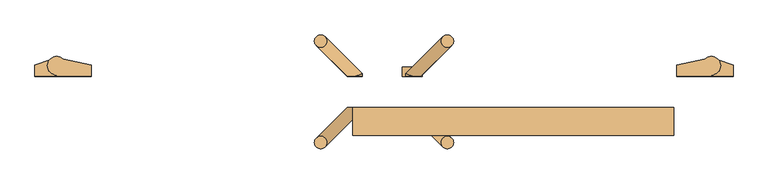
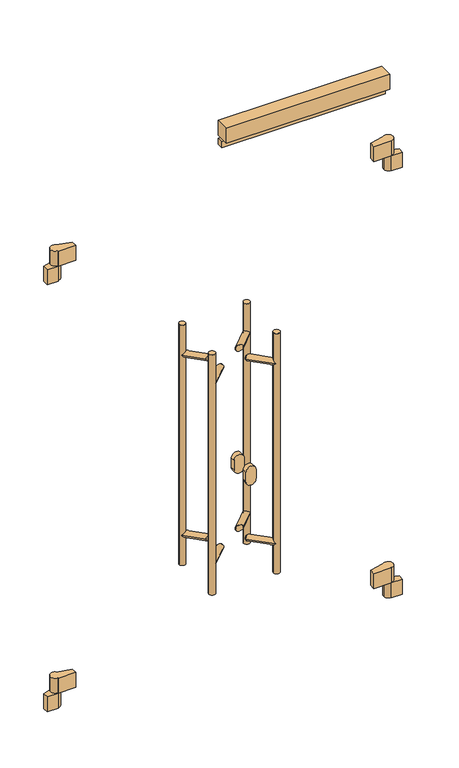
"""IFC4 building model written with IfcOpenShell, lengths in millimetres: door geometry."""

from ifc_helpers import new_model, si_unit, point, frame, frame_2d, origin, place, context, project, spatial, polyline, circle_curve, ellipse_curve, trimmed, segment, composite_curve, outline, extrude, source, transform, mapped, element, save
from ifc_brep_helpers import plane_surface, cylinder_surface, advanced_brep


def door_fb0e7f3e(model_context):
    return source(origin(), model_context, "Body", "SolidModel", [
        extrude(outline(polyline([(-630.0, -50.0), (-115.0, -50.0), (-115.0, -95.0), (-630.0, -95.0), (-630.0, -50.0)])), frame((0.0, 0.0, 2073.0), z_axis=(0.0, 0.0, 1.0), x_axis=(1.0, 0.0, 0.0)), (0.0, 0.0, 1.0), 50.0),
        extrude(outline(polyline([(-630.0, -50.0), (-115.0, -50.0), (-115.0, -70.0), (-630.0, -70.0), (-630.0, -50.0)])), frame((0.0, 0.0, 2043.0), z_axis=(0.0, 0.0, 1.0), x_axis=(1.0, 0.0, 0.0)), (0.0, 0.0, 1.0), 20.0),
        advanced_brep(
        [(-110.0, 0.0, 400.0), (-55.0, 0.0, 400.0), (-55.0, 2.0, 400.0), (-40.0, 17.0, 400.0), (-65.5040029, 27.7082175, 400.0), (-110.0, 18.0, 400.0), (-70.0, 17.0, 300.0), (-42.8866516, 25.846852, 300.0), (-20.0, 18.0, 300.0), (-20.0, 0.0, 300.0), (-55.0, 0.0, 300.0), (-55.0, 2.0, 300.0), (-55.0, 2.0, 350.0), (-40.0, 17.0, 350.0), (-70.0, 17.0, 350.0), (-55.0, 2.0, 350.0), (-42.8866516, 25.846852, 350.0), (-65.5040029, 27.7082175, 350.0), (-110.0, 0.0, 350.0), (-110.0, 18.0, 350.0), (-55.0, 0.0, 350.0), (-20.0, 0.0, 350.0), (-20.0, 18.0, 350.0)],
        [
            (0, 1),
            (1, 2),
            (2, 3, circle_curve(frame((-55.0, 17.0, 400.0), z_axis=(0.0, 0.0, 1.0), x_axis=(1.0, 0.0, 0.0)), 15.0)),
            (3, 4, circle_curve(frame((-55.0, 17.0, 400.0), z_axis=(0.0, 0.0, 1.0), x_axis=(1.0, 0.0, 0.0)), 15.0)),
            (4, 5),
            (5, 0),
            (6, 7, circle_curve(frame((-55.0, 17.0, 300.0), z_axis=(0.0, 0.0, -1.0), x_axis=(1.0, 0.0, 0.0)), 15.0)),
            (7, 8),
            (8, 9),
            (9, 10),
            (10, 11),
            (11, 6, circle_curve(frame((-55.0, 17.0, 300.0), z_axis=(0.0, 0.0, -1.0), x_axis=(1.0, 0.0, 0.0)), 15.0)),
            (2, 12),
            (12, 13, circle_curve(frame((-55.0, 17.0, 350.0), z_axis=(0.0, 0.0, 1.0), x_axis=(1.0, 0.0, 0.0)), 15.0)),
            (13, 3),
            (14, 6),
            (11, 15),
            (15, 14, circle_curve(frame((-55.0, 17.0, 350.0), z_axis=(0.0, 0.0, -1.0), x_axis=(1.0, 0.0, 0.0)), 15.0)),
            (13, 16, circle_curve(frame((-55.0, 17.0, 350.0), z_axis=(0.0, 0.0, 1.0), x_axis=(1.0, 0.0, 0.0)), 15.0)),
            (16, 7),
            (14, 17, circle_curve(frame((-55.0, 17.0, 350.0), z_axis=(0.0, 0.0, -1.0), x_axis=(1.0, 0.0, 0.0)), 15.0)),
            (17, 4),
            (18, 19),
            (19, 17),
            (15, 20),
            (20, 18),
            (0, 18),
            (20, 1),
            (20, 12),
            (19, 5),
            (20, 21),
            (21, 22),
            (22, 16),
            (10, 20),
            (9, 21),
            (8, 22),
        ],
        [
            plane_surface(frame((-40.0, 17.0, 400.0), z_axis=(0.0, 0.0, 1.0), x_axis=(0.0, 1.0, 0.0))),
            plane_surface(frame((-40.0, 17.0, 300.0), z_axis=(0.0, 0.0, -1.0), x_axis=(0.0, -1.0, 0.0))),
            cylinder_surface(frame((-55.0, 17.0, 300.0), z_axis=(0.0, 0.0, 1.0), x_axis=(1.0, 0.0, 0.0)), 15.0),
            plane_surface(frame((-55.0, 0.0, 350.0), z_axis=(0.0, 0.0, -1.0), x_axis=(-1.0, 0.0, 0.0))),
            plane_surface(frame((-110.0, 0.0, 400.0), z_axis=(0.0, -1.0, 0.0), x_axis=(0.0, 0.0, -1.0))),
            plane_surface(frame((-55.0, 0.0, 400.0), z_axis=(1.0, 0.0, 0.0), x_axis=(0.0, 0.0, -1.0))),
            plane_surface(frame((-55.0, 30.0, 400.0), z_axis=(-0.2131670752167252, 0.9770157614099924, 0.0), x_axis=(0.0, 0.0, -1.0))),
            plane_surface(frame((-110.0, 18.0, 400.0), z_axis=(-1.0, 0.0, 0.0), x_axis=(0.0, 0.0, -1.0))),
            plane_surface(frame((-55.0, 0.0, 350.0), z_axis=(0.0, 0.0, 1.0), x_axis=(0.0, -1.0, 0.0))),
            plane_surface(frame((-55.0, 30.0, 350.0), z_axis=(-1.0, 0.0, 0.0), x_axis=(0.0, 0.0, -1.0))),
            plane_surface(frame((-55.0, 0.0, 350.0), z_axis=(0.0, -1.0, 0.0), x_axis=(0.0, 0.0, -1.0))),
            plane_surface(frame((-20.0, 0.0, 350.0), z_axis=(1.0, 0.0, 0.0), x_axis=(0.0, 0.0, -1.0))),
            plane_surface(frame((-20.0, 18.0, 350.0), z_axis=(0.3243243243243251, 0.9459459459459457, 0.0), x_axis=(0.0, 0.0, -1.0))),
        ],
        [
            (0, [[1, 2, 3, 4, 5, 6]]),
            (1, [[7, 8, 9, 10, 11, 12]]),
            (2, [[-3, 13, 14, 15]]),
            (2, [[16, -12, 17, 18]]),
            (2, [[-4, -15, 19, 20, -7, -16, 21, 22]]),
            (3, [[23, 24, -21, -18, 25, 26]]),
            (4, [[-1, 27, -26, 28]]),
            (5, [[-28, 29, -13, -2]]),
            (6, [[30, -5, -22, -24]]),
            (7, [[-6, -30, -23, -27]]),
            (8, [[31, 32, 33, -19, -14, -29]]),
            (9, [[34, -25, -17, -11]]),
            (10, [[-31, -34, -10, 35]]),
            (11, [[-32, -35, -9, 36]]),
            (12, [[-36, -8, -20, -33]]),
        ],
    ),
        advanced_brep(
        [(-1050.0, 0.0, 400.0), (-1050.0, 18.0, 400.0), (-1094.4959971, 27.7082175, 400.0), (-1120.0, 17.0, 400.0), (-1105.0, 2.0, 400.0), (-1105.0, 0.0, 400.0), (-1117.1133484, 25.846852, 300.0), (-1090.0, 17.0, 300.0), (-1105.0, 2.0, 300.0), (-1105.0, 0.0, 300.0), (-1140.0, 0.0, 300.0), (-1140.0, 18.0, 300.0), (-1120.0, 17.0, 350.0), (-1105.0, 2.0, 350.0), (-1090.0, 17.0, 350.0), (-1105.0, 2.0, 350.0), (-1094.4959971, 27.7082175, 350.0), (-1117.1133484, 25.846852, 350.0), (-1050.0, 0.0, 350.0), (-1105.0, 0.0, 350.0), (-1050.0, 18.0, 350.0), (-1140.0, 18.0, 350.0), (-1140.0, 0.0, 350.0)],
        [
            (0, 1),
            (1, 2),
            (2, 3, circle_curve(frame((-1105.0, 17.0, 400.0), z_axis=(0.0, 0.0, 1.0), x_axis=(1.0, 0.0, 0.0)), 15.0)),
            (3, 4, circle_curve(frame((-1105.0, 17.0, 400.0), z_axis=(0.0, 0.0, 1.0), x_axis=(1.0, 0.0, 0.0)), 15.0)),
            (4, 5),
            (5, 0),
            (6, 7, circle_curve(frame((-1105.0, 17.0, 300.0), z_axis=(0.0, 0.0, -1.0), x_axis=(1.0, 0.0, 0.0)), 15.0)),
            (7, 8, circle_curve(frame((-1105.0, 17.0, 300.0), z_axis=(0.0, 0.0, -1.0), x_axis=(1.0, 0.0, 0.0)), 15.0)),
            (8, 9),
            (9, 10),
            (10, 11),
            (11, 6),
            (3, 12),
            (12, 13, circle_curve(frame((-1105.0, 17.0, 350.0), z_axis=(0.0, 0.0, 1.0), x_axis=(1.0, 0.0, 0.0)), 15.0)),
            (13, 4),
            (7, 14),
            (14, 15, circle_curve(frame((-1105.0, 17.0, 350.0), z_axis=(0.0, 0.0, -1.0), x_axis=(1.0, 0.0, 0.0)), 15.0)),
            (15, 8),
            (2, 16),
            (16, 14, circle_curve(frame((-1105.0, 17.0, 350.0), z_axis=(0.0, 0.0, -1.0), x_axis=(1.0, 0.0, 0.0)), 15.0)),
            (6, 17),
            (17, 12, circle_curve(frame((-1105.0, 17.0, 350.0), z_axis=(0.0, 0.0, 1.0), x_axis=(1.0, 0.0, 0.0)), 15.0)),
            (18, 19),
            (19, 15),
            (16, 20),
            (20, 18),
            (0, 18),
            (20, 1),
            (19, 5),
            (13, 19),
            (21, 22),
            (22, 19),
            (17, 21),
            (11, 21),
            (10, 22),
            (9, 19),
        ],
        [
            plane_surface(frame((-40.0, 17.0, 400.0), z_axis=(0.0, 0.0, 1.0), x_axis=(0.0, 1.0, 0.0))),
            plane_surface(frame((-40.0, 17.0, 300.0), z_axis=(0.0, 0.0, -1.0), x_axis=(0.0, -1.0, 0.0))),
            cylinder_surface(frame((-1105.0, 17.0, 0.0), z_axis=(0.0, 0.0, 1.0), x_axis=(1.0, 0.0, 0.0)), 15.0),
            plane_surface(frame((-55.0, 0.0, 350.0), z_axis=(0.0, 0.0, -1.0), x_axis=(-1.0, 0.0, 0.0))),
            plane_surface(frame((-1050.0, 0.0, 400.0), z_axis=(1.0, 0.0, 0.0), x_axis=(0.0, 0.0, -1.0))),
            plane_surface(frame((-1050.0, 18.0, 400.0), z_axis=(0.2131670752167282, 0.9770157614099917, 0.0), x_axis=(0.0, 0.0, -1.0))),
            plane_surface(frame((-1105.0, 30.0, 400.0), z_axis=(-1.0, 0.0, 0.0), x_axis=(0.0, 0.0, -1.0))),
            plane_surface(frame((-1105.0, 0.0, 400.0), z_axis=(0.0, -1.0, 0.0), x_axis=(0.0, 0.0, -1.0))),
            plane_surface(frame((-55.0, 0.0, 350.0), z_axis=(0.0, 0.0, 1.0), x_axis=(0.0, -1.0, 0.0))),
            plane_surface(frame((-1105.0, 30.0, 350.0), z_axis=(-0.3243243243243222, 0.9459459459459467, 0.0), x_axis=(0.0, 0.0, -1.0))),
            plane_surface(frame((-1140.0, 18.0, 350.0), z_axis=(-1.0, 0.0, 0.0), x_axis=(0.0, 0.0, -1.0))),
            plane_surface(frame((-1140.0, 0.0, 350.0), z_axis=(0.0, -1.0, 0.0), x_axis=(0.0, 0.0, -1.0))),
            plane_surface(frame((-1105.0, 0.0, 350.0), z_axis=(1.0, 0.0, 0.0), x_axis=(0.0, 0.0, -1.0))),
        ],
        [
            (0, [[1, 2, 3, 4, 5, 6]]),
            (1, [[7, 8, 9, 10, 11, 12]]),
            (2, [[-4, 13, 14, 15]]),
            (2, [[16, 17, 18, -8]]),
            (2, [[-3, 19, 20, -16, -7, 21, 22, -13]]),
            (3, [[23, 24, -17, -20, 25, 26]]),
            (4, [[-1, 27, -26, 28]]),
            (5, [[-28, -25, -19, -2]]),
            (6, [[29, -5, -15, 30]]),
            (7, [[-6, -29, -23, -27]]),
            (8, [[31, 32, -30, -14, -22, 33]]),
            (9, [[34, -33, -21, -12]]),
            (10, [[-31, -34, -11, 35]]),
            (11, [[-32, -35, -10, 36]]),
            (12, [[-36, -9, -18, -24]]),
        ],
    ),
        advanced_brep(
        [(-110.0, 0.0, 1823.0), (-55.0, 0.0, 1823.0), (-55.0, 2.0, 1823.0), (-40.0, 17.0, 1823.0), (-65.5040029, 27.7082175, 1823.0), (-110.0, 18.0, 1823.0), (-70.0, 17.0, 1723.0), (-42.8866516, 25.846852, 1723.0), (-20.0, 18.0, 1723.0), (-20.0, 0.0, 1723.0), (-55.0, 0.0, 1723.0), (-55.0, 2.0, 1723.0), (-55.0, 2.0, 1773.0), (-40.0, 17.0, 1773.0), (-70.0, 17.0, 1773.0), (-55.0, 2.0, 1773.0), (-42.8866516, 25.846852, 1773.0), (-65.5040029, 27.7082175, 1773.0), (-110.0, 0.0, 1773.0), (-110.0, 18.0, 1773.0), (-55.0, 0.0, 1773.0), (-20.0, 0.0, 1773.0), (-20.0, 18.0, 1773.0)],
        [
            (0, 1),
            (1, 2),
            (2, 3, circle_curve(frame((-55.0, 17.0, 1823.0), z_axis=(0.0, 0.0, 1.0), x_axis=(1.0, 0.0, 0.0)), 15.0)),
            (3, 4, circle_curve(frame((-55.0, 17.0, 1823.0), z_axis=(0.0, 0.0, 1.0), x_axis=(1.0, 0.0, 0.0)), 15.0)),
            (4, 5),
            (5, 0),
            (6, 7, circle_curve(frame((-55.0, 17.0, 1723.0), z_axis=(0.0, 0.0, -1.0), x_axis=(1.0, 0.0, 0.0)), 15.0)),
            (7, 8),
            (8, 9),
            (9, 10),
            (10, 11),
            (11, 6, circle_curve(frame((-55.0, 17.0, 1723.0), z_axis=(0.0, 0.0, -1.0), x_axis=(1.0, 0.0, 0.0)), 15.0)),
            (2, 12),
            (12, 13, circle_curve(frame((-55.0, 17.0, 1773.0), z_axis=(0.0, 0.0, 1.0), x_axis=(1.0, 0.0, 0.0)), 15.0)),
            (13, 3),
            (14, 6),
            (11, 15),
            (15, 14, circle_curve(frame((-55.0, 17.0, 1773.0), z_axis=(0.0, 0.0, -1.0), x_axis=(1.0, 0.0, 0.0)), 15.0)),
            (13, 16, circle_curve(frame((-55.0, 17.0, 1773.0), z_axis=(0.0, 0.0, 1.0), x_axis=(1.0, 0.0, 0.0)), 15.0)),
            (16, 7),
            (14, 17, circle_curve(frame((-55.0, 17.0, 1773.0), z_axis=(0.0, 0.0, -1.0), x_axis=(1.0, 0.0, 0.0)), 15.0)),
            (17, 4),
            (18, 19),
            (19, 17),
            (15, 20),
            (20, 18),
            (20, 1),
            (0, 18),
            (20, 12),
            (19, 5),
            (20, 21),
            (21, 22),
            (22, 16),
            (10, 20),
            (9, 21),
            (8, 22),
        ],
        [
            plane_surface(frame((-40.0, 17.0, 1823.0), z_axis=(0.0, 0.0, 1.0), x_axis=(0.0, 1.0, 0.0))),
            plane_surface(frame((-40.0, 17.0, 1723.0), z_axis=(0.0, 0.0, -1.0), x_axis=(0.0, -1.0, 0.0))),
            cylinder_surface(frame((-55.0, 17.0, 1723.0), z_axis=(0.0, 0.0, 1.0), x_axis=(1.0, 0.0, 0.0)), 15.0),
            plane_surface(frame((-55.0, 0.0, 1773.0), z_axis=(0.0, 0.0, -1.0), x_axis=(-1.0, 0.0, 0.0))),
            plane_surface(frame((-110.0, 0.0, 1823.0), z_axis=(0.0, -1.0, 0.0), x_axis=(0.0, 0.0, -1.0))),
            plane_surface(frame((-55.0, 0.0, 1823.0), z_axis=(1.0, 0.0, 0.0), x_axis=(0.0, 0.0, -1.0))),
            plane_surface(frame((-55.0, 30.0, 1823.0), z_axis=(-0.21316707521672512, 0.9770157614099924, 0.0), x_axis=(0.0, 0.0, -1.0))),
            plane_surface(frame((-110.0, 18.0, 1823.0), z_axis=(-1.0, 0.0, 0.0), x_axis=(0.0, 0.0, -1.0))),
            plane_surface(frame((-55.0, 0.0, 1773.0), z_axis=(0.0, 0.0, 1.0), x_axis=(0.0, -1.0, 0.0))),
            plane_surface(frame((-55.0, 30.0, 1773.0), z_axis=(-1.0, 0.0, 0.0), x_axis=(0.0, 0.0, -1.0))),
            plane_surface(frame((-55.0, 0.0, 1773.0), z_axis=(0.0, -1.0, 0.0), x_axis=(0.0, 0.0, -1.0))),
            plane_surface(frame((-20.0, 0.0, 1773.0), z_axis=(1.0, 0.0, 0.0), x_axis=(0.0, 0.0, -1.0))),
            plane_surface(frame((-20.0, 18.0, 1773.0), z_axis=(0.3243243243243251, 0.9459459459459457, 0.0), x_axis=(0.0, 0.0, -1.0))),
        ],
        [
            (0, [[1, 2, 3, 4, 5, 6]]),
            (1, [[7, 8, 9, 10, 11, 12]]),
            (2, [[-3, 13, 14, 15]]),
            (2, [[16, -12, 17, 18]]),
            (2, [[-4, -15, 19, 20, -7, -16, 21, 22]]),
            (3, [[23, 24, -21, -18, 25, 26]]),
            (4, [[-26, 27, -1, 28]]),
            (5, [[-27, 29, -13, -2]]),
            (6, [[30, -5, -22, -24]]),
            (7, [[-23, -28, -6, -30]]),
            (8, [[31, 32, 33, -19, -14, -29]]),
            (9, [[34, -25, -17, -11]]),
            (10, [[-10, 35, -31, -34]]),
            (11, [[-9, 36, -32, -35]]),
            (12, [[-36, -8, -20, -33]]),
        ],
    ),
        advanced_brep(
        [(-1050.0, 0.0, 1823.0), (-1050.0, 18.0, 1823.0), (-1094.4959971, 27.7082175, 1823.0), (-1120.0, 17.0, 1823.0), (-1105.0, 2.0, 1823.0), (-1105.0, 0.0, 1823.0), (-1117.1133484, 25.846852, 1723.0), (-1090.0, 17.0, 1723.0), (-1105.0, 2.0, 1723.0), (-1105.0, 0.0, 1723.0), (-1140.0, 0.0, 1723.0), (-1140.0, 18.0, 1723.0), (-1120.0, 17.0, 1773.0), (-1105.0, 2.0, 1773.0), (-1090.0, 17.0, 1773.0), (-1105.0, 2.0, 1773.0), (-1094.4959971, 27.7082175, 1773.0), (-1117.1133484, 25.846852, 1773.0), (-1050.0, 0.0, 1773.0), (-1105.0, 0.0, 1773.0), (-1050.0, 18.0, 1773.0), (-1140.0, 18.0, 1773.0), (-1140.0, 0.0, 1773.0)],
        [
            (0, 1),
            (1, 2),
            (2, 3, circle_curve(frame((-1105.0, 17.0, 1823.0), z_axis=(0.0, 0.0, 1.0), x_axis=(1.0, 0.0, 0.0)), 15.0)),
            (3, 4, circle_curve(frame((-1105.0, 17.0, 1823.0), z_axis=(0.0, 0.0, 1.0), x_axis=(1.0, 0.0, 0.0)), 15.0)),
            (4, 5),
            (5, 0),
            (6, 7, circle_curve(frame((-1105.0, 17.0, 1723.0), z_axis=(0.0, 0.0, -1.0), x_axis=(1.0, 0.0, 0.0)), 15.0)),
            (7, 8, circle_curve(frame((-1105.0, 17.0, 1723.0), z_axis=(0.0, 0.0, -1.0), x_axis=(1.0, 0.0, 0.0)), 15.0)),
            (8, 9),
            (9, 10),
            (10, 11),
            (11, 6),
            (3, 12),
            (12, 13, circle_curve(frame((-1105.0, 17.0, 1773.0), z_axis=(0.0, 0.0, 1.0), x_axis=(1.0, 0.0, 0.0)), 15.0)),
            (13, 4),
            (7, 14),
            (14, 15, circle_curve(frame((-1105.0, 17.0, 1773.0), z_axis=(0.0, 0.0, -1.0), x_axis=(1.0, 0.0, 0.0)), 15.0)),
            (15, 8),
            (2, 16),
            (16, 14, circle_curve(frame((-1105.0, 17.0, 1773.0), z_axis=(0.0, 0.0, -1.0), x_axis=(1.0, 0.0, 0.0)), 15.0)),
            (6, 17),
            (17, 12, circle_curve(frame((-1105.0, 17.0, 1773.0), z_axis=(0.0, 0.0, 1.0), x_axis=(1.0, 0.0, 0.0)), 15.0)),
            (18, 19),
            (19, 15),
            (16, 20),
            (20, 18),
            (20, 1),
            (0, 18),
            (19, 5),
            (13, 19),
            (21, 22),
            (22, 19),
            (17, 21),
            (11, 21),
            (10, 22),
            (9, 19),
        ],
        [
            plane_surface(frame((-40.0, 17.0, 1823.0), z_axis=(0.0, 0.0, 1.0), x_axis=(0.0, 1.0, 0.0))),
            plane_surface(frame((-40.0, 17.0, 1723.0), z_axis=(0.0, 0.0, -1.0), x_axis=(0.0, -1.0, 0.0))),
            cylinder_surface(frame((-1105.0, 17.0, 0.0), z_axis=(0.0, 0.0, 1.0), x_axis=(1.0, 0.0, 0.0)), 15.0),
            plane_surface(frame((-55.0, 0.0, 1773.0), z_axis=(0.0, 0.0, -1.0), x_axis=(-1.0, 0.0, 0.0))),
            plane_surface(frame((-1050.0, 0.0, 1823.0), z_axis=(1.0, 0.0, 0.0), x_axis=(0.0, 0.0, -1.0))),
            plane_surface(frame((-1050.0, 18.0, 1823.0), z_axis=(0.2131670752167268, 0.977015761409992, 0.0), x_axis=(0.0, 0.0, -1.0))),
            plane_surface(frame((-1105.0, 30.0, 1823.0), z_axis=(-1.0, 0.0, 0.0), x_axis=(0.0, 0.0, -1.0))),
            plane_surface(frame((-1105.0, 0.0, 1823.0), z_axis=(0.0, -1.0, 0.0), x_axis=(0.0, 0.0, -1.0))),
            plane_surface(frame((-55.0, 0.0, 1773.0), z_axis=(0.0, 0.0, 1.0), x_axis=(0.0, -1.0, 0.0))),
            plane_surface(frame((-1105.0, 30.0, 1773.0), z_axis=(-0.324324324324321, 0.945945945945947, 0.0), x_axis=(0.0, 0.0, -1.0))),
            plane_surface(frame((-1140.0, 18.0, 1773.0), z_axis=(-1.0, 0.0, 0.0), x_axis=(0.0, 0.0, -1.0))),
            plane_surface(frame((-1140.0, 0.0, 1773.0), z_axis=(0.0, -1.0, 0.0), x_axis=(0.0, 0.0, -1.0))),
            plane_surface(frame((-1105.0, 0.0, 1773.0), z_axis=(1.0, 0.0, 0.0), x_axis=(0.0, 0.0, -1.0))),
        ],
        [
            (0, [[1, 2, 3, 4, 5, 6]]),
            (1, [[7, 8, 9, 10, 11, 12]]),
            (2, [[-4, 13, 14, 15]]),
            (2, [[16, 17, 18, -8]]),
            (2, [[-3, 19, 20, -16, -7, 21, 22, -13]]),
            (3, [[23, 24, -17, -20, 25, 26]]),
            (4, [[-26, 27, -1, 28]]),
            (5, [[-27, -25, -19, -2]]),
            (6, [[29, -5, -15, 30]]),
            (7, [[-23, -28, -6, -29]]),
            (8, [[31, 32, -30, -14, -22, 33]]),
            (9, [[34, -33, -21, -12]]),
            (10, [[-11, 35, -31, -34]]),
            (11, [[-10, 36, -32, -35]]),
            (12, [[-36, -9, -18, -24]]),
        ],
    ),
        advanced_brep(
        [(-488.4314575, 56.5685425, 1400.0), (-468.4314575, 56.5685425, 1400.0), (-488.4314575, 56.5685425, 600.0), (-468.4314575, 56.5685425, 600.0), (-535.0, 0.0, 710.0), (-545.0, 0.0, 700.0), (-535.0, 0.0, 690.0), (-520.8578644, 0.0, 700.0), (-535.0, 0.0, 1310.0), (-545.0, 0.0, 1300.0), (-535.0, 0.0, 1290.0), (-520.8578644, 0.0, 1300.0), (-545.0, 4.1421356, 700.0), (-545.0, 4.1421356, 1300.0), (-485.5025253, 63.6396103, 700.0), (-471.3603897, 49.4974747, 700.0), (-488.4314575, 56.5685425, 707.0710678), (-488.4314575, 56.5685425, 692.9289322), (-485.5025253, 63.6396103, 1300.0), (-471.3603897, 49.4974747, 1300.0), (-488.4314575, 56.5685425, 1307.0710678), (-488.4314575, 56.5685425, 1292.9289322)],
        [
            (0, 1, circle_curve(frame((-478.4314575, 56.5685425, 1400.0), z_axis=(0.0, 0.0, 1.0), x_axis=(1.0, 0.0, 0.0)), 10.0)),
            (1, 0, circle_curve(frame((-478.4314575, 56.5685425, 1400.0), z_axis=(0.0, 0.0, 1.0), x_axis=(1.0, 0.0, 0.0)), 10.0)),
            (2, 3, circle_curve(frame((-478.4314575, 56.5685425, 600.0), z_axis=(0.0, 0.0, -1.0), x_axis=(1.0, 0.0, 0.0)), 10.0)),
            (3, 2, circle_curve(frame((-478.4314575, 56.5685425, 600.0), z_axis=(0.0, 0.0, -1.0), x_axis=(1.0, 0.0, 0.0)), 10.0)),
            (4, 5, circle_curve(frame((-535.0, 0.0, 700.0), z_axis=(0.0, -1.0, 0.0), x_axis=(-1.0, 0.0, 0.0)), 10.0)),
            (5, 6, circle_curve(frame((-535.0, 0.0, 700.0), z_axis=(0.0, -1.0, 0.0), x_axis=(-1.0, 0.0, 0.0)), 10.0)),
            (6, 7, ellipse_curve(frame((-535.0, 0.0, 700.0), z_axis=(0.0, -1.0, 0.0), x_axis=(-1.0, 0.0, 0.0)), 14.1421356, 10.0)),
            (7, 4, ellipse_curve(frame((-535.0, 0.0, 700.0), z_axis=(0.0, -1.0, 0.0), x_axis=(-1.0, 0.0, 0.0)), 14.1421356, 10.0)),
            (8, 9, circle_curve(frame((-535.0, 0.0, 1300.0), z_axis=(0.0, -1.0, 0.0), x_axis=(-1.0, 0.0, 0.0)), 10.0)),
            (9, 10, circle_curve(frame((-535.0, 0.0, 1300.0), z_axis=(0.0, -1.0, 0.0), x_axis=(-1.0, 0.0, 0.0)), 10.0)),
            (10, 11, ellipse_curve(frame((-535.0, 0.0, 1300.0), z_axis=(0.0, -1.0, 0.0), x_axis=(-1.0, 0.0, 0.0)), 14.1421356, 10.0)),
            (11, 8, ellipse_curve(frame((-535.0, 0.0, 1300.0), z_axis=(0.0, -1.0, 0.0), x_axis=(-1.0, 0.0, 0.0)), 14.1421356, 10.0)),
            (4, 12, ellipse_curve(frame((-535.0, 0.0, 700.0), z_axis=(-0.3826834323651387, -0.9238795325112665, 0.0), x_axis=(0.9238795325112664, -0.3826834323651385, 0.0)), 10.823922, 10.0)),
            (12, 5),
            (12, 6, ellipse_curve(frame((-535.0, 0.0, 700.0), z_axis=(-0.3826834323651387, -0.9238795325112665, 0.0), x_axis=(0.9238795325112664, -0.3826834323651385, 0.0)), 10.823922, 10.0)),
            (8, 13, ellipse_curve(frame((-535.0, 0.0, 1300.0), z_axis=(-0.3826834323651387, -0.9238795325112665, 0.0), x_axis=(0.9238795325112664, -0.3826834323651385, 0.0)), 10.823922, 10.0)),
            (13, 9),
            (13, 10, ellipse_curve(frame((-535.0, 0.0, 1300.0), z_axis=(-0.3826834323651387, -0.9238795325112665, 0.0), x_axis=(0.9238795325112664, -0.3826834323651385, 0.0)), 10.823922, 10.0)),
            (14, 12),
            (7, 15),
            (15, 16, ellipse_curve(frame((-478.4314575, 56.5685425, 700.0), z_axis=(-0.5000000000000507, -0.4999999999999471, -0.707106781186549), x_axis=(-0.5000000000000551, -0.4999999999999471, 0.7071067811865459)), 14.1421356, 10.0)),
            (16, 14, ellipse_curve(frame((-478.4314575, 56.5685425, 700.0), z_axis=(-0.5000000000000507, -0.4999999999999471, -0.707106781186549), x_axis=(-0.5000000000000551, -0.4999999999999471, 0.7071067811865459)), 14.1421356, 10.0)),
            (14, 17, ellipse_curve(frame((-478.4314575, 56.5685425, 700.0), z_axis=(-0.5000000000000551, -0.4999999999999471, 0.7071067811865459), x_axis=(-0.5000000000000507, -0.4999999999999471, -0.7071067811865489)), 14.1421356, 10.0)),
            (17, 15, ellipse_curve(frame((-478.4314575, 56.5685425, 700.0), z_axis=(-0.5000000000000551, -0.4999999999999471, 0.7071067811865459), x_axis=(-0.5000000000000507, -0.4999999999999471, -0.7071067811865489)), 14.1421356, 10.0)),
            (18, 13),
            (11, 19),
            (19, 20, ellipse_curve(frame((-478.4314575, 56.5685425, 1300.0), z_axis=(-0.5000000000000507, -0.4999999999999471, -0.707106781186549), x_axis=(-0.5000000000000551, -0.4999999999999471, 0.7071067811865459)), 14.1421356, 10.0)),
            (20, 18, ellipse_curve(frame((-478.4314575, 56.5685425, 1300.0), z_axis=(-0.5000000000000507, -0.4999999999999471, -0.707106781186549), x_axis=(-0.5000000000000551, -0.4999999999999471, 0.7071067811865459)), 14.1421356, 10.0)),
            (18, 21, ellipse_curve(frame((-478.4314575, 56.5685425, 1300.0), z_axis=(-0.5000000000000551, -0.4999999999999471, 0.7071067811865459), x_axis=(-0.5000000000000507, -0.4999999999999471, -0.7071067811865489)), 14.1421356, 10.0)),
            (21, 19, ellipse_curve(frame((-478.4314575, 56.5685425, 1300.0), z_axis=(-0.5000000000000551, -0.4999999999999471, 0.7071067811865459), x_axis=(-0.5000000000000507, -0.4999999999999471, -0.7071067811865489)), 14.1421356, 10.0)),
            (0, 20),
            (21, 16),
            (17, 2),
            (3, 1),
        ],
        [
            plane_surface(frame((-468.4314575, 56.5685425, 1400.0), z_axis=(0.0, 0.0, 1.0), x_axis=(0.0, 1.0, 0.0))),
            plane_surface(frame((-468.4314575, 56.5685425, 600.0), z_axis=(0.0, 0.0, -1.0), x_axis=(0.0, -1.0, 0.0))),
            plane_surface(frame((-675.0, 0.0, 600.0), z_axis=(0.0, -1.0, 0.0), x_axis=(0.0, 0.0, 1.0))),
            cylinder_surface(frame((-535.0, -50.0, 700.0), z_axis=(0.0, -1.0, 0.0), x_axis=(-1.0, 0.0, 0.0)), 10.0),
            cylinder_surface(frame((-535.0, -50.0, 1300.0), z_axis=(0.0, -1.0, 0.0), x_axis=(-1.0, 0.0, 0.0)), 10.0),
            cylinder_surface(frame((-535.0, 0.0, 700.0), z_axis=(-0.7071067811866224, -0.7071067811864727, 0.0), x_axis=(-0.7071067811864727, 0.7071067811866224, 0.0)), 10.0),
            cylinder_surface(frame((-535.0, 0.0, 1300.0), z_axis=(-0.7071067811866224, -0.7071067811864727, 0.0), x_axis=(-0.7071067811864727, 0.7071067811866224, 0.0)), 10.0),
            cylinder_surface(frame((-478.4314575, 56.5685425, 600.0), z_axis=(0.0, 0.0, 1.0), x_axis=(1.0, 0.0, 0.0)), 10.0),
        ],
        [
            (0, [[1, 2]]),
            (1, [[3, 4]]),
            (2, [[5, 6, 7, 8]]),
            (2, [[9, 10, 11, 12]]),
            (3, [[13, 14, -5]]),
            (3, [[-14, 15, -6]]),
            (4, [[16, 17, -9]]),
            (4, [[-17, 18, -10]]),
            (5, [[19, -13, -8, 20, 21, 22]]),
            (5, [[-19, 23, 24, -20, -7, -15]]),
            (6, [[25, -16, -12, 26, 27, 28]]),
            (6, [[-25, 29, 30, -26, -11, -18]]),
            (7, [[-1, 31, -27, -30, 32, -21, -24, 33, -4, 34]]),
            (7, [[-2, -34, -3, -33, -23, -22, -32, -29, -28, -31]]),
        ],
    ),
        advanced_brep(
        [(-488.4314575, -106.5685425, 1400.0), (-468.4314575, -106.5685425, 1400.0), (-488.4314575, -106.5685425, 600.0), (-468.4314575, -106.5685425, 600.0), (-535.0, -50.0, 710.0), (-520.8578644, -50.0, 700.0), (-535.0, -50.0, 690.0), (-545.0, -50.0, 700.0), (-535.0, -50.0, 1310.0), (-520.8578644, -50.0, 1300.0), (-535.0, -50.0, 1290.0), (-545.0, -50.0, 1300.0), (-545.0, -54.1421356, 700.0), (-485.5025253, -113.6396103, 700.0), (-488.4314575, -106.5685425, 707.0710678), (-471.3603897, -99.4974747, 700.0), (-488.4314575, -106.5685425, 692.9289322), (-545.0, -54.1421356, 1300.0), (-485.5025253, -113.6396103, 1300.0), (-488.4314575, -106.5685425, 1307.0710678), (-471.3603897, -99.4974747, 1300.0), (-488.4314575, -106.5685425, 1292.9289322)],
        [
            (0, 1, circle_curve(frame((-478.4314575, -106.5685425, 1400.0), z_axis=(0.0, 0.0, 1.0), x_axis=(1.0, 0.0, 0.0)), 10.0)),
            (1, 0, circle_curve(frame((-478.4314575, -106.5685425, 1400.0), z_axis=(0.0, 0.0, 1.0), x_axis=(1.0, 0.0, 0.0)), 10.0)),
            (2, 3, circle_curve(frame((-478.4314575, -106.5685425, 600.0), z_axis=(0.0, 0.0, -1.0), x_axis=(1.0, 0.0, 0.0)), 10.0)),
            (3, 2, circle_curve(frame((-478.4314575, -106.5685425, 600.0), z_axis=(0.0, 0.0, -1.0), x_axis=(1.0, 0.0, 0.0)), 10.0)),
            (4, 5, ellipse_curve(frame((-535.0, -50.0, 700.0), z_axis=(0.0, 1.0, 0.0), x_axis=(1.0, 0.0, 0.0)), 14.1421356, 10.0)),
            (5, 6, ellipse_curve(frame((-535.0, -50.0, 700.0), z_axis=(0.0, 1.0, 0.0), x_axis=(1.0, 0.0, 0.0)), 14.1421356, 10.0)),
            (6, 7, circle_curve(frame((-535.0, -50.0, 700.0), z_axis=(0.0, 1.0, 0.0), x_axis=(-1.0, 0.0, 0.0)), 10.0)),
            (7, 4, circle_curve(frame((-535.0, -50.0, 700.0), z_axis=(0.0, 1.0, 0.0), x_axis=(-1.0, 0.0, 0.0)), 10.0)),
            (8, 9, ellipse_curve(frame((-535.0, -50.0, 1300.0), z_axis=(0.0, 1.0, 0.0), x_axis=(1.0, 0.0, 0.0)), 14.1421356, 10.0)),
            (9, 10, ellipse_curve(frame((-535.0, -50.0, 1300.0), z_axis=(0.0, 1.0, 0.0), x_axis=(1.0, 0.0, 0.0)), 14.1421356, 10.0)),
            (10, 11, circle_curve(frame((-535.0, -50.0, 1300.0), z_axis=(0.0, 1.0, 0.0), x_axis=(-1.0, 0.0, 0.0)), 10.0)),
            (11, 8, circle_curve(frame((-535.0, -50.0, 1300.0), z_axis=(0.0, 1.0, 0.0), x_axis=(-1.0, 0.0, 0.0)), 10.0)),
            (12, 13),
            (13, 14, ellipse_curve(frame((-478.4314575, -106.5685425, 700.0), z_axis=(-0.5000000000000066, 0.49999999999999023, -0.7071067811865498), x_axis=(0.5000000000000119, -0.4999999999999913, -0.7071067811865452)), 14.1421356, 10.0)),
            (14, 15, ellipse_curve(frame((-478.4314575, -106.5685425, 700.0), z_axis=(-0.5000000000000066, 0.49999999999999023, -0.7071067811865498), x_axis=(0.5000000000000119, -0.4999999999999913, -0.7071067811865452)), 14.1421356, 10.0)),
            (15, 5),
            (4, 12, ellipse_curve(frame((-535.0, -50.0, 700.0), z_axis=(0.3826834323650983, -0.9238795325112832, 0.0), x_axis=(0.9238795325112832, 0.38268343236509805, 0.0)), 10.823922, 10.0)),
            (12, 6, ellipse_curve(frame((-535.0, -50.0, 700.0), z_axis=(0.3826834323650983, -0.9238795325112832, 0.0), x_axis=(0.9238795325112832, 0.38268343236509805, 0.0)), 10.823922, 10.0)),
            (15, 16, ellipse_curve(frame((-478.4314575, -106.5685425, 700.0), z_axis=(-0.5000000000000121, 0.49999999999999145, 0.7071067811865451), x_axis=(0.5000000000000062, -0.49999999999999, 0.70710678118655)), 14.1421356, 10.0)),
            (16, 13, ellipse_curve(frame((-478.4314575, -106.5685425, 700.0), z_axis=(-0.5000000000000121, 0.49999999999999145, 0.7071067811865451), x_axis=(0.5000000000000062, -0.49999999999999, 0.70710678118655)), 14.1421356, 10.0)),
            (17, 18),
            (18, 19, ellipse_curve(frame((-478.4314575, -106.5685425, 1300.0), z_axis=(-0.5000000000000066, 0.49999999999999023, -0.7071067811865498), x_axis=(0.5000000000000119, -0.4999999999999913, -0.7071067811865452)), 14.1421356, 10.0)),
            (19, 20, ellipse_curve(frame((-478.4314575, -106.5685425, 1300.0), z_axis=(-0.5000000000000066, 0.49999999999999023, -0.7071067811865498), x_axis=(0.5000000000000119, -0.4999999999999913, -0.7071067811865452)), 14.1421356, 10.0)),
            (20, 9),
            (8, 17, ellipse_curve(frame((-535.0, -50.0, 1300.0), z_axis=(0.3826834323650983, -0.9238795325112832, 0.0), x_axis=(0.9238795325112832, 0.38268343236509805, 0.0)), 10.823922, 10.0)),
            (17, 10, ellipse_curve(frame((-535.0, -50.0, 1300.0), z_axis=(0.3826834323650983, -0.9238795325112832, 0.0), x_axis=(0.9238795325112832, 0.38268343236509805, 0.0)), 10.823922, 10.0)),
            (20, 21, ellipse_curve(frame((-478.4314575, -106.5685425, 1300.0), z_axis=(-0.5000000000000121, 0.49999999999999145, 0.7071067811865451), x_axis=(0.5000000000000062, -0.49999999999999, 0.70710678118655)), 14.1421356, 10.0)),
            (21, 18, ellipse_curve(frame((-478.4314575, -106.5685425, 1300.0), z_axis=(-0.5000000000000121, 0.49999999999999145, 0.7071067811865451), x_axis=(0.5000000000000062, -0.49999999999999, 0.70710678118655)), 14.1421356, 10.0)),
            (7, 12),
            (11, 17),
            (0, 19),
            (21, 14),
            (16, 2),
            (3, 1),
        ],
        [
            plane_surface(frame((-468.4314575, 56.5685425, 1400.0), z_axis=(0.0, 0.0, 1.0), x_axis=(0.0, 1.0, 0.0))),
            plane_surface(frame((-468.4314575, 56.5685425, 600.0), z_axis=(0.0, 0.0, -1.0), x_axis=(0.0, -1.0, 0.0))),
            plane_surface(frame((-485.0, -50.0, 600.0), z_axis=(0.0, 1.0, 0.0), x_axis=(0.0, 0.0, 1.0))),
            cylinder_surface(frame((-478.4314575, -106.5685425, 700.0), z_axis=(0.7071067811865607, -0.7071067811865346, 0.0), x_axis=(-0.7071067811865346, -0.7071067811865607, 0.0)), 10.0),
            cylinder_surface(frame((-478.4314575, -106.5685425, 1300.0), z_axis=(0.7071067811865607, -0.7071067811865346, 0.0), x_axis=(-0.7071067811865346, -0.7071067811865607, 0.0)), 10.0),
            cylinder_surface(frame((-535.0, -50.0, 700.0), z_axis=(0.0, -1.0, 0.0), x_axis=(-1.0, 0.0, 0.0)), 10.0),
            cylinder_surface(frame((-535.0, -50.0, 1300.0), z_axis=(0.0, -1.0, 0.0), x_axis=(-1.0, 0.0, 0.0)), 10.0),
            cylinder_surface(frame((-478.4314575, -106.5685425, 1000.0), z_axis=(0.0, 0.0, 1.0), x_axis=(1.0, 0.0, 0.0)), 10.0),
        ],
        [
            (0, [[1, 2]]),
            (1, [[3, 4]]),
            (2, [[5, 6, 7, 8]]),
            (2, [[9, 10, 11, 12]]),
            (3, [[13, 14, 15, 16, -5, 17]]),
            (3, [[-13, 18, -6, -16, 19, 20]]),
            (4, [[21, 22, 23, 24, -9, 25]]),
            (4, [[-21, 26, -10, -24, 27, 28]]),
            (5, [[-17, -8, 29]]),
            (5, [[-18, -29, -7]]),
            (6, [[-25, -12, 30]]),
            (6, [[-26, -30, -11]]),
            (7, [[-1, 31, -22, -28, 32, -14, -20, 33, -4, 34]]),
            (7, [[-2, -34, -3, -33, -19, -15, -32, -27, -23, -31]]),
        ],
    ),
        advanced_brep(
        [(-691.5685425, 56.5685425, 1400.0), (-671.5685425, 56.5685425, 1400.0), (-691.5685425, 56.5685425, 600.0), (-671.5685425, 56.5685425, 600.0), (-625.0, 0.0, 690.0), (-615.0, 0.0, 700.0), (-625.0, 0.0, 710.0), (-639.1421356, 0.0, 700.0), (-625.0, 0.0, 1290.0), (-615.0, 0.0, 1300.0), (-625.0, 0.0, 1310.0), (-639.1421356, 0.0, 1300.0), (-671.5685425, 56.5685425, 692.9289322), (-688.6396103, 49.4974747, 700.0), (-671.5685425, 56.5685425, 707.0710678), (-671.5685425, 56.5685425, 1292.9289322), (-688.6396103, 49.4974747, 1300.0), (-671.5685425, 56.5685425, 1307.0710678), (-674.4974747, 63.6396103, 1300.0), (-674.4974747, 63.6396103, 700.0), (-615.0, 4.1421356, 700.0), (-615.0, 4.1421356, 1300.0)],
        [
            (0, 1, circle_curve(frame((-681.5685425, 56.5685425, 1400.0), z_axis=(0.0, 0.0, 1.0), x_axis=(1.0, 0.0, 0.0)), 10.0)),
            (1, 0, circle_curve(frame((-681.5685425, 56.5685425, 1400.0), z_axis=(0.0, 0.0, 1.0), x_axis=(1.0, 0.0, 0.0)), 10.0)),
            (2, 3, circle_curve(frame((-681.5685425, 56.5685425, 600.0), z_axis=(0.0, 0.0, -1.0), x_axis=(1.0, 0.0, 0.0)), 10.0)),
            (3, 2, circle_curve(frame((-681.5685425, 56.5685425, 600.0), z_axis=(0.0, 0.0, -1.0), x_axis=(1.0, 0.0, 0.0)), 10.0)),
            (4, 5, circle_curve(frame((-625.0, 0.0, 700.0), z_axis=(0.0, -1.0, 0.0), x_axis=(-1.0, 0.0, 0.0)), 10.0)),
            (5, 6, circle_curve(frame((-625.0, 0.0, 700.0), z_axis=(0.0, -1.0, 0.0), x_axis=(-1.0, 0.0, 0.0)), 10.0)),
            (6, 7, ellipse_curve(frame((-625.0, 0.0, 700.0), z_axis=(0.0, -1.0, 0.0), x_axis=(1.0, 0.0, 0.0)), 14.1421356, 10.0)),
            (7, 4, ellipse_curve(frame((-625.0, 0.0, 700.0), z_axis=(0.0, -1.0, 0.0), x_axis=(1.0, 0.0, 0.0)), 14.1421356, 10.0)),
            (8, 9, circle_curve(frame((-625.0, 0.0, 1300.0), z_axis=(0.0, -1.0, 0.0), x_axis=(-1.0, 0.0, 0.0)), 10.0)),
            (9, 10, circle_curve(frame((-625.0, 0.0, 1300.0), z_axis=(0.0, -1.0, 0.0), x_axis=(-1.0, 0.0, 0.0)), 10.0)),
            (10, 11, ellipse_curve(frame((-625.0, 0.0, 1300.0), z_axis=(0.0, -1.0, 0.0), x_axis=(1.0, 0.0, 0.0)), 14.1421356, 10.0)),
            (11, 8, ellipse_curve(frame((-625.0, 0.0, 1300.0), z_axis=(0.0, -1.0, 0.0), x_axis=(1.0, 0.0, 0.0)), 14.1421356, 10.0)),
            (0, 2),
            (3, 12),
            (12, 13, ellipse_curve(frame((-681.5685425, 56.5685425, 700.0), z_axis=(-0.5000000000000747, 0.49999999999992306, -0.707106781186549), x_axis=(-0.5000000000000792, 0.49999999999992295, 0.707106781186546)), 14.1421356, 10.0)),
            (13, 14, ellipse_curve(frame((-681.5685425, 56.5685425, 700.0), z_axis=(-0.5000000000000792, 0.49999999999992306, 0.7071067811865459), x_axis=(0.5000000000000746, -0.49999999999992306, 0.7071067811865491)), 14.1421356, 10.0)),
            (14, 15),
            (15, 16, ellipse_curve(frame((-681.5685425, 56.5685425, 1300.0), z_axis=(-0.5000000000000747, 0.49999999999992306, -0.707106781186549), x_axis=(-0.5000000000000792, 0.49999999999992295, 0.707106781186546)), 14.1421356, 10.0)),
            (16, 17, ellipse_curve(frame((-681.5685425, 56.5685425, 1300.0), z_axis=(-0.5000000000000792, 0.49999999999992306, 0.7071067811865459), x_axis=(0.5000000000000746, -0.49999999999992306, 0.7071067811865491)), 14.1421356, 10.0)),
            (17, 1),
            (17, 18, ellipse_curve(frame((-681.5685425, 56.5685425, 1300.0), z_axis=(-0.5000000000000792, 0.49999999999992306, 0.7071067811865459), x_axis=(0.5000000000000746, -0.49999999999992306, 0.7071067811865491)), 14.1421356, 10.0)),
            (18, 15, ellipse_curve(frame((-681.5685425, 56.5685425, 1300.0), z_axis=(-0.5000000000000747, 0.49999999999992306, -0.707106781186549), x_axis=(-0.5000000000000792, 0.49999999999992295, 0.707106781186546)), 14.1421356, 10.0)),
            (14, 19, ellipse_curve(frame((-681.5685425, 56.5685425, 700.0), z_axis=(-0.5000000000000792, 0.49999999999992306, 0.7071067811865459), x_axis=(0.5000000000000746, -0.49999999999992306, 0.7071067811865491)), 14.1421356, 10.0)),
            (19, 12, ellipse_curve(frame((-681.5685425, 56.5685425, 700.0), z_axis=(-0.5000000000000747, 0.49999999999992306, -0.707106781186549), x_axis=(-0.5000000000000792, 0.49999999999992295, 0.707106781186546)), 14.1421356, 10.0)),
            (4, 20, ellipse_curve(frame((-625.0, 0.0, 700.0), z_axis=(0.3826834323651609, -0.9238795325112573, 0.0), x_axis=(-0.9238795325112572, -0.3826834323651609, 0.0)), 10.823922, 10.0)),
            (20, 5),
            (20, 6, ellipse_curve(frame((-625.0, 0.0, 700.0), z_axis=(0.3826834323651609, -0.9238795325112573, 0.0), x_axis=(-0.9238795325112572, -0.3826834323651609, 0.0)), 10.823922, 10.0)),
            (8, 21, ellipse_curve(frame((-625.0, 0.0, 1300.0), z_axis=(0.3826834323651609, -0.9238795325112573, 0.0), x_axis=(-0.9238795325112572, -0.3826834323651609, 0.0)), 10.823922, 10.0)),
            (21, 9),
            (21, 10, ellipse_curve(frame((-625.0, 0.0, 1300.0), z_axis=(0.3826834323651609, -0.9238795325112573, 0.0), x_axis=(-0.9238795325112572, -0.3826834323651609, 0.0)), 10.823922, 10.0)),
            (19, 20),
            (7, 13),
            (18, 21),
            (11, 16),
        ],
        [
            plane_surface(frame((-468.4314575, 56.5685425, 1400.0), z_axis=(0.0, 0.0, 1.0), x_axis=(0.0, 1.0, 0.0))),
            plane_surface(frame((-468.4314575, 56.5685425, 600.0), z_axis=(0.0, 0.0, -1.0), x_axis=(0.0, -1.0, 0.0))),
            plane_surface(frame((-675.0, 0.0, 600.0), z_axis=(0.0, -1.0, 0.0), x_axis=(0.0, 0.0, 1.0))),
            cylinder_surface(frame((-681.5685425, 56.5685425, 1000.0), z_axis=(0.0, 0.0, 1.0), x_axis=(1.0, 0.0, 0.0)), 10.0),
            cylinder_surface(frame((-625.0, -50.0, 700.0), z_axis=(0.0, -1.0, 0.0), x_axis=(-1.0, 0.0, 0.0)), 10.0),
            cylinder_surface(frame((-625.0, -50.0, 1300.0), z_axis=(0.0, -1.0, 0.0), x_axis=(-1.0, 0.0, 0.0)), 10.0),
            cylinder_surface(frame((-625.0, 0.0, 700.0), z_axis=(0.7071067811866564, -0.7071067811864388, 0.0), x_axis=(-0.7071067811864388, -0.7071067811866564, 0.0)), 10.0),
            cylinder_surface(frame((-625.0, 0.0, 1300.0), z_axis=(0.7071067811866564, -0.7071067811864388, 0.0), x_axis=(-0.7071067811864388, -0.7071067811866564, 0.0)), 10.0),
        ],
        [
            (0, [[1, 2]]),
            (1, [[3, 4]]),
            (2, [[5, 6, 7, 8]]),
            (2, [[9, 10, 11, 12]]),
            (3, [[-1, 13, -4, 14, 15, 16, 17, 18, 19, 20]]),
            (3, [[-2, -20, 21, 22, -17, 23, 24, -14, -3, -13]]),
            (4, [[25, 26, -5]]),
            (4, [[-26, 27, -6]]),
            (5, [[28, 29, -9]]),
            (5, [[-29, 30, -10]]),
            (6, [[31, -25, -8, 32, -15, -24]]),
            (6, [[-31, -23, -16, -32, -7, -27]]),
            (7, [[33, -28, -12, 34, -18, -22]]),
            (7, [[-33, -21, -19, -34, -11, -30]]),
        ],
    ),
        advanced_brep(
        [(-691.5685425, -106.5685425, 1400.0), (-671.5685425, -106.5685425, 1400.0), (-691.5685425, -106.5685425, 600.0), (-671.5685425, -106.5685425, 600.0), (-625.0, -50.0, 690.0), (-639.1421356, -50.0, 700.0), (-625.0, -50.0, 710.0), (-615.0, -50.0, 700.0), (-625.0, -50.0, 1290.0), (-639.1421356, -50.0, 1300.0), (-625.0, -50.0, 1310.0), (-615.0, -50.0, 1300.0), (-671.5685425, -106.5685425, 692.9289322), (-674.4974747, -113.6396103, 700.0), (-671.5685425, -106.5685425, 707.0710678), (-671.5685425, -106.5685425, 1292.9289322), (-674.4974747, -113.6396103, 1300.0), (-671.5685425, -106.5685425, 1307.0710678), (-688.6396103, -99.4974747, 1300.0), (-688.6396103, -99.4974747, 700.0), (-615.0, -54.1421356, 700.0), (-615.0, -54.1421356, 1300.0)],
        [
            (0, 1, circle_curve(frame((-681.5685425, -106.5685425, 1400.0), z_axis=(0.0, 0.0, 1.0), x_axis=(1.0, 0.0, 0.0)), 10.0)),
            (1, 0, circle_curve(frame((-681.5685425, -106.5685425, 1400.0), z_axis=(0.0, 0.0, 1.0), x_axis=(1.0, 0.0, 0.0)), 10.0)),
            (2, 3, circle_curve(frame((-681.5685425, -106.5685425, 600.0), z_axis=(0.0, 0.0, -1.0), x_axis=(1.0, 0.0, 0.0)), 10.0)),
            (3, 2, circle_curve(frame((-681.5685425, -106.5685425, 600.0), z_axis=(0.0, 0.0, -1.0), x_axis=(1.0, 0.0, 0.0)), 10.0)),
            (4, 5, ellipse_curve(frame((-625.0, -50.0, 700.0), z_axis=(0.0, 1.0, 0.0), x_axis=(-1.0, 0.0, 0.0)), 14.1421356, 10.0)),
            (5, 6, ellipse_curve(frame((-625.0, -50.0, 700.0), z_axis=(0.0, 1.0, 0.0), x_axis=(-1.0, 0.0, 0.0)), 14.1421356, 10.0)),
            (6, 7, circle_curve(frame((-625.0, -50.0, 700.0), z_axis=(0.0, 1.0, 0.0), x_axis=(-1.0, 0.0, 0.0)), 10.0)),
            (7, 4, circle_curve(frame((-625.0, -50.0, 700.0), z_axis=(0.0, 1.0, 0.0), x_axis=(-1.0, 0.0, 0.0)), 10.0)),
            (8, 9, ellipse_curve(frame((-625.0, -50.0, 1300.0), z_axis=(0.0, 1.0, 0.0), x_axis=(-1.0, 0.0, 0.0)), 14.1421356, 10.0)),
            (9, 10, ellipse_curve(frame((-625.0, -50.0, 1300.0), z_axis=(0.0, 1.0, 0.0), x_axis=(-1.0, 0.0, 0.0)), 14.1421356, 10.0)),
            (10, 11, circle_curve(frame((-625.0, -50.0, 1300.0), z_axis=(0.0, 1.0, 0.0), x_axis=(-1.0, 0.0, 0.0)), 10.0)),
            (11, 8, circle_curve(frame((-625.0, -50.0, 1300.0), z_axis=(0.0, 1.0, 0.0), x_axis=(-1.0, 0.0, 0.0)), 10.0)),
            (0, 2),
            (3, 12),
            (12, 13, ellipse_curve(frame((-681.5685425, -106.5685425, 700.0), z_axis=(-0.4999999999999604, -0.5000000000000362, -0.7071067811865498), x_axis=(-0.4999999999999659, -0.5000000000000372, 0.7071067811865452)), 14.1421356, 10.0)),
            (13, 14, ellipse_curve(frame((-681.5685425, -106.5685425, 700.0), z_axis=(-0.49999999999996597, -0.5000000000000373, 0.7071067811865451), x_axis=(0.49999999999996037, 0.5000000000000361, 0.7071067811865498)), 14.1421356, 10.0)),
            (14, 15),
            (15, 16, ellipse_curve(frame((-681.5685425, -106.5685425, 1300.0), z_axis=(-0.4999999999999604, -0.5000000000000362, -0.7071067811865498), x_axis=(-0.4999999999999659, -0.5000000000000372, 0.7071067811865452)), 14.1421356, 10.0)),
            (16, 17, ellipse_curve(frame((-681.5685425, -106.5685425, 1300.0), z_axis=(-0.49999999999996597, -0.5000000000000373, 0.7071067811865451), x_axis=(0.49999999999996037, 0.5000000000000361, 0.7071067811865498)), 14.1421356, 10.0)),
            (17, 1),
            (17, 18, ellipse_curve(frame((-681.5685425, -106.5685425, 1300.0), z_axis=(-0.49999999999996597, -0.5000000000000373, 0.7071067811865451), x_axis=(0.49999999999996037, 0.5000000000000361, 0.7071067811865498)), 14.1421356, 10.0)),
            (18, 15, ellipse_curve(frame((-681.5685425, -106.5685425, 1300.0), z_axis=(-0.4999999999999604, -0.5000000000000362, -0.7071067811865498), x_axis=(-0.4999999999999659, -0.5000000000000372, 0.7071067811865452)), 14.1421356, 10.0)),
            (14, 19, ellipse_curve(frame((-681.5685425, -106.5685425, 700.0), z_axis=(-0.49999999999996597, -0.5000000000000373, 0.7071067811865451), x_axis=(0.49999999999996037, 0.5000000000000361, 0.7071067811865498)), 14.1421356, 10.0)),
            (19, 12, ellipse_curve(frame((-681.5685425, -106.5685425, 700.0), z_axis=(-0.4999999999999604, -0.5000000000000362, -0.7071067811865498), x_axis=(-0.4999999999999659, -0.5000000000000372, 0.7071067811865452)), 14.1421356, 10.0)),
            (20, 13),
            (19, 5),
            (4, 20, ellipse_curve(frame((-625.0, -50.0, 700.0), z_axis=(-0.3826834323650558, -0.9238795325113008, 0.0), x_axis=(-0.9238795325113007, 0.3826834323650559, 0.0)), 10.823922, 10.0)),
            (20, 6, ellipse_curve(frame((-625.0, -50.0, 700.0), z_axis=(-0.3826834323650558, -0.9238795325113008, 0.0), x_axis=(-0.9238795325113007, 0.3826834323650559, 0.0)), 10.823922, 10.0)),
            (21, 16),
            (18, 9),
            (8, 21, ellipse_curve(frame((-625.0, -50.0, 1300.0), z_axis=(-0.3826834323650558, -0.9238795325113008, 0.0), x_axis=(-0.9238795325113007, 0.3826834323650559, 0.0)), 10.823922, 10.0)),
            (21, 10, ellipse_curve(frame((-625.0, -50.0, 1300.0), z_axis=(-0.3826834323650558, -0.9238795325113008, 0.0), x_axis=(-0.9238795325113007, 0.3826834323650559, 0.0)), 10.823922, 10.0)),
            (7, 20),
            (11, 21),
        ],
        [
            plane_surface(frame((-468.4314575, 56.5685425, 1400.0), z_axis=(0.0, 0.0, 1.0), x_axis=(0.0, 1.0, 0.0))),
            plane_surface(frame((-468.4314575, 56.5685425, 600.0), z_axis=(0.0, 0.0, -1.0), x_axis=(0.0, -1.0, 0.0))),
            plane_surface(frame((-485.0, -50.0, 600.0), z_axis=(0.0, 1.0, 0.0), x_axis=(0.0, 0.0, 1.0))),
            cylinder_surface(frame((-681.5685425, -106.5685425, 1000.0), z_axis=(0.0, 0.0, 1.0), x_axis=(1.0, 0.0, 0.0)), 10.0),
            cylinder_surface(frame((-681.5685425, -106.5685425, 700.0), z_axis=(-0.7071067811864956, -0.7071067811865996, 0.0), x_axis=(-0.7071067811865996, 0.7071067811864956, 0.0)), 10.0),
            cylinder_surface(frame((-681.5685425, -106.5685425, 1300.0), z_axis=(-0.7071067811864956, -0.7071067811865996, 0.0), x_axis=(-0.7071067811865996, 0.7071067811864956, 0.0)), 10.0),
            cylinder_surface(frame((-625.0, -50.0, 700.0), z_axis=(0.0, -1.0, 0.0), x_axis=(-1.0, 0.0, 0.0)), 10.0),
            cylinder_surface(frame((-625.0, -50.0, 1300.0), z_axis=(0.0, -1.0, 0.0), x_axis=(-1.0, 0.0, 0.0)), 10.0),
        ],
        [
            (0, [[1, 2]]),
            (1, [[3, 4]]),
            (2, [[5, 6, 7, 8]]),
            (2, [[9, 10, 11, 12]]),
            (3, [[-1, 13, -4, 14, 15, 16, 17, 18, 19, 20]]),
            (3, [[-2, -20, 21, 22, -17, 23, 24, -14, -3, -13]]),
            (4, [[25, -15, -24, 26, -5, 27]]),
            (4, [[-25, 28, -6, -26, -23, -16]]),
            (5, [[29, -18, -22, 30, -9, 31]]),
            (5, [[-29, 32, -10, -30, -21, -19]]),
            (6, [[-27, -8, 33]]),
            (6, [[-28, -33, -7]]),
            (7, [[-31, -12, 34]]),
            (7, [[-32, -34, -11]]),
        ],
    ),
        extrude(outline(composite_curve([segment(polyline([(930.0, -551.0), (900.0, -551.0)]), True, "CONTINUOUS"), segment(trimmed(circle_curve(frame_2d((900.0, -535.0)), 16.0), [point((900.0, -551.0))], [point((900.0, -519.0))], False, "CARTESIAN"), True, "CONTINUOUS"), segment(polyline([(900.0, -519.0), (930.0, -519.0)]), True, "CONTINUOUS"), segment(trimmed(circle_curve(frame_2d((930.0, -535.0)), 16.0), [point((930.0, -519.0))], [point((930.0, -551.0))], False, "CARTESIAN"), True, "CONTINUOUS")], self_intersect=False)), frame((0.0, 0.0, 0.0), z_axis=(0.0, 1.0, 0.0), x_axis=(0.0, 0.0, 1.0)), (0.0, 0.0, 1.0), 15.0),
        extrude(outline(composite_curve([segment(polyline([(930.0, -551.0), (900.0, -551.0)]), True, "CONTINUOUS"), segment(trimmed(circle_curve(frame_2d((900.0, -535.0)), 16.0), [point((900.0, -551.0))], [point((900.0, -519.0))], False, "CARTESIAN"), True, "CONTINUOUS"), segment(polyline([(900.0, -519.0), (930.0, -519.0)]), True, "CONTINUOUS"), segment(trimmed(circle_curve(frame_2d((930.0, -535.0)), 16.0), [point((930.0, -519.0))], [point((930.0, -551.0))], False, "CARTESIAN"), True, "CONTINUOUS")], self_intersect=False)), frame((0.0, -65.0, 0.0), z_axis=(0.0, 1.0, 0.0), x_axis=(0.0, 0.0, 1.0)), (0.0, 0.0, 1.0), 15.0),
    ])


if __name__ == "__main__":
    model = new_model("IFC4")
    model_context = context("Model", 3, world=origin())
    ifc_project = project(units=[si_unit("LENGTHUNIT", "METRE", prefix="MILLI")], contexts=[model_context])
    site = spatial("IfcSite", under=ifc_project)
    building = spatial("IfcBuilding", under=site)
    placement = place(None, origin())
    door_shape = door_fb0e7f3e(model_context)
    element("IfcDoor", 1, at=placement, inside=building, context=model_context, shape_type="MappedRepresentation", body=[
        mapped(door_shape, transform((0.0, 0.0, 0.0), x_axis=(1.0, 0.0, 0.0), y_axis=(0.0, 1.0, 0.0), z_axis=(0.0, 0.0, 1.0))),
    ])
    save(model, "model.ifc")
